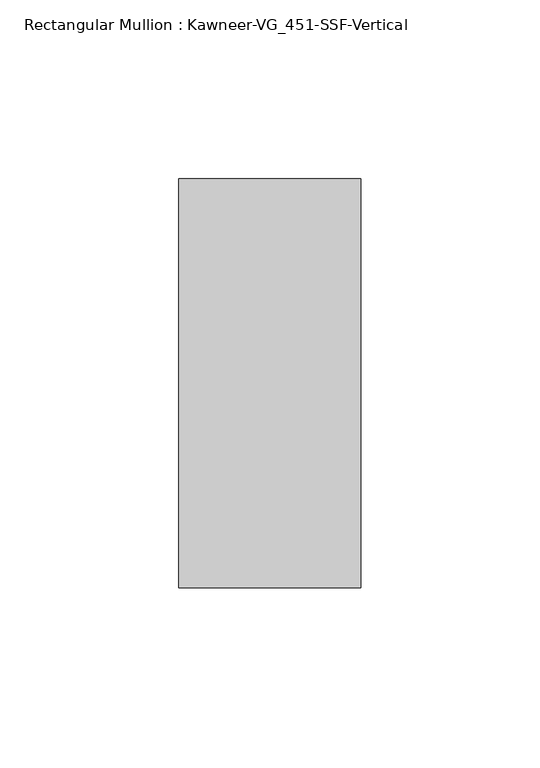
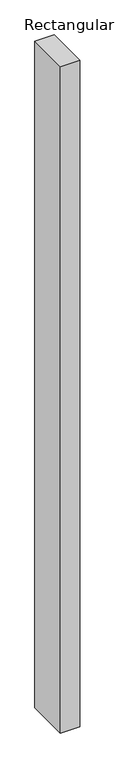
"""IFC4 building model written with IfcOpenShell, lengths in millimetres: member geometry, Rectangular Mullion : Kawneer-VG_451-SSF-Vertical."""

from ifc_helpers import new_model, si_unit, frame, origin, place, context, project, spatial, polyline, outline, extrude, source, transform, mapped, element, save


def rectangular_mullion_kawneer_vg_451_ssf_vertical_585972e0(model_context):
    return source(origin(), model_context, "Body", "SweptSolid", [
        extrude(outline(polyline([(25.4, 57.15), (25.4, -57.15), (-25.4, -57.15), (-25.4, 57.15), (25.4, 57.15)])), frame((0.0, 0.0, -1828.8), z_axis=(0.0, 0.0, 1.0), x_axis=(1.0, 0.0, 0.0)), (0.0, 0.0, 1.0), 1828.8),
    ])


if __name__ == "__main__":
    model = new_model("IFC4")
    model_context = context("Model", 3, world=origin())
    ifc_project = project(units=[si_unit("LENGTHUNIT", "METRE", prefix="MILLI")], contexts=[model_context])
    site = spatial("IfcSite", under=ifc_project)
    building = spatial("IfcBuilding", under=site)
    placement = place(None, origin())
    rectangular_mullion_kawneer_vg_451_ssf_vertical_shape = rectangular_mullion_kawneer_vg_451_ssf_vertical_585972e0(model_context)
    element("IfcMember", 1, ObjectType="Rectangular Mullion : Kawneer-VG_451-SSF-Vertical", at=placement, inside=building, context=model_context, shape_type="MappedRepresentation", body=[
        mapped(rectangular_mullion_kawneer_vg_451_ssf_vertical_shape, transform((0.0, 0.0, 0.0), x_axis=(1.0, 0.0, 0.0), y_axis=(0.0, 1.0, 0.0), z_axis=(0.0, 0.0, 1.0))),
    ])
    save(model, "model.ifc")
